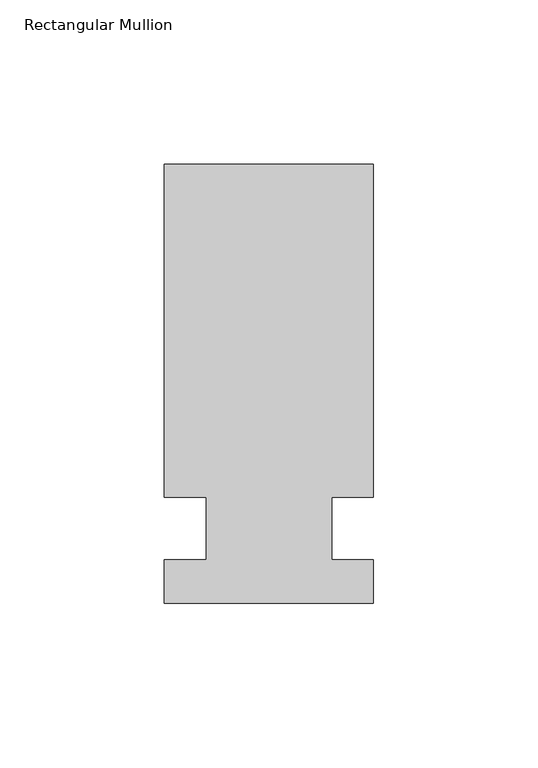
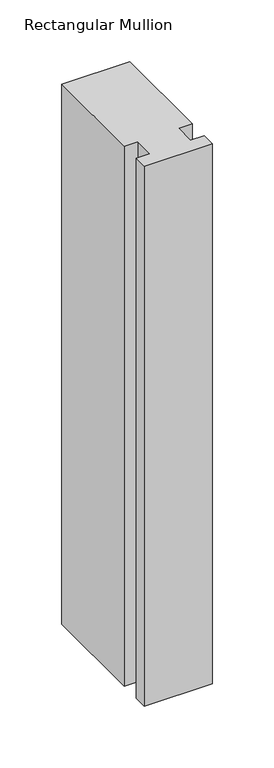
"""IFC4 building model written with IfcOpenShell, lengths in millimetres: member geometry, Rectangular Mullion."""

from ifc_helpers import new_model, si_unit, frame, origin, place, context, project, spatial, polyline, outline, extrude, source, transform, mapped, element, save


def rectangular_mullion_c4e3ddac(model_context):
    return source(origin(), model_context, "Body", "SweptSolid", [
        extrude(outline(polyline([(-63.5, 133.4396937), (0.0, 133.4396937), (0.0, 32.2460937), (-12.7, 32.2460937), (-12.7, 13.1960937), (0.0, 13.1960937), (0.0, 0.0134937), (-63.5, 0.0134937), (-63.5, 13.1960937), (-50.8, 13.1960937), (-50.8, 32.2460937), (-63.5, 32.2460938), (-63.5, 133.4396937)])), frame((0.0, 0.0, -533.4), z_axis=(0.0, 0.0, 1.0), x_axis=(1.0, 0.0, 0.0)), (0.0, 0.0, 1.0), 533.4),
    ])


if __name__ == "__main__":
    model = new_model("IFC4")
    model_context = context("Model", 3, world=origin())
    ifc_project = project(units=[si_unit("LENGTHUNIT", "METRE", prefix="MILLI")], contexts=[model_context])
    site = spatial("IfcSite", under=ifc_project)
    building = spatial("IfcBuilding", under=site)
    placement = place(None, origin())
    rectangular_mullion_shape = rectangular_mullion_c4e3ddac(model_context)
    element("IfcMember", 1, ObjectType="Rectangular Mullion", at=placement, inside=building, context=model_context, shape_type="MappedRepresentation", body=[
        mapped(rectangular_mullion_shape, transform((0.0, 0.0, 0.0), x_axis=(1.0, 0.0, 0.0), y_axis=(0.0, 1.0, 0.0), z_axis=(0.0, 0.0, 1.0))),
    ])
    save(model, "model.ifc")
